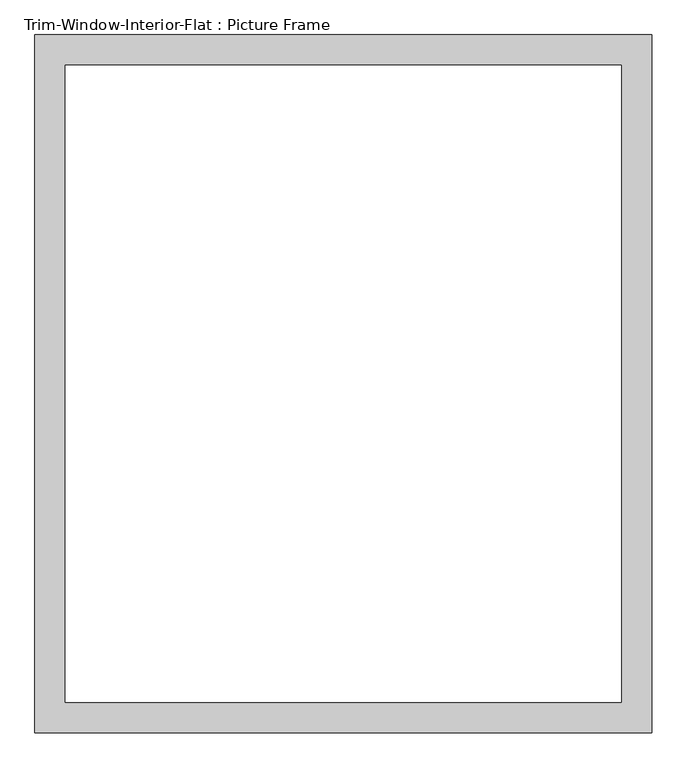
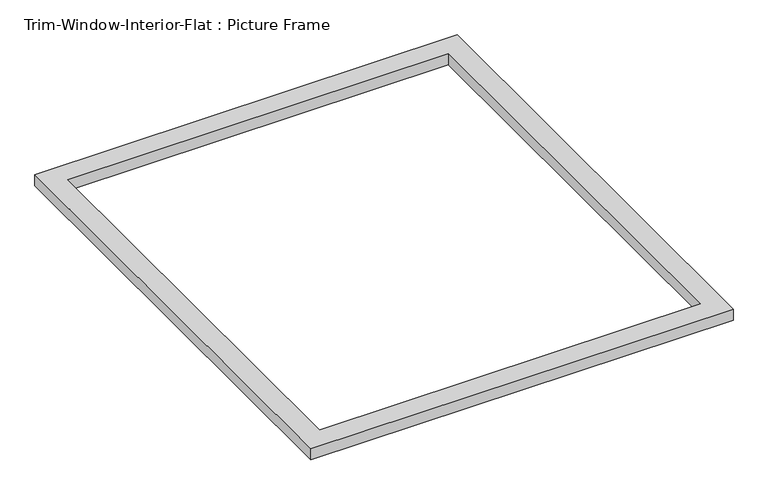
"""IFC4 building model written with IfcOpenShell, lengths in millimetres: proxy geometry, Trim-Window-Interior-Flat : Picture Frame."""

import ifcopenshell
import ifcopenshell.guid

model = None  # the IFC model being written
_history = None  # IfcOwnerHistory: only IFC2X3 demands one
_inside = {}  # id of a spatial element -> (the spatial element, [elements in it])
_under = {}  # id of a project, library or spatial element -> (it, [spatial elements below it])
_declared = {}  # id of a project -> (the project, [libraries it declares])
_typed = {}  # id of a type object -> (the type object, [elements of that type])
_made_of = {}  # id of a material, layer set ... -> (it, [elements and type objects made of it])


def new_model(schema):
    """Start an empty IFC model of exactly this schema.

    Asked for "IFC4X3", IfcOpenShell would pick the latest addendum, in which some entities
    have other attributes; the version numbers below select the first issue.
    IFC2X3 requires an IfcOwnerHistory on every rooted entity: one is made here for all.
    """
    global model, _history
    if schema == "IFC4X3":
        model = ifcopenshell.file(schema_version=(4, 3, 0, 0))
    else:
        model = ifcopenshell.file(schema=schema)
    _inside.clear()
    _under.clear()
    _declared.clear()
    _typed.clear()
    _made_of.clear()
    _history = None
    if model.schema == "IFC2X3":
        org = make("IfcOrganization", Name="unknown")
        user = make(
            "IfcPersonAndOrganization",
            ThePerson=make("IfcPerson", FamilyName="unknown"),
            TheOrganization=org,
        )
        app = make(
            "IfcApplication",
            ApplicationDeveloper=org,
            Version="unknown",
            ApplicationFullName="unknown",
            ApplicationIdentifier="unknown",
        )
        _history = make(
            "IfcOwnerHistory",
            OwningUser=user,
            OwningApplication=app,
            ChangeAction="ADDED",
            CreationDate=0,
        )
    return model


def make(cls, **values):
    """One entity of the class cls with the attributes given. An attribute that is None is left unset."""
    return model.create_entity(
        cls, **{name: value for name, value in values.items() if value is not None}
    )


def rooted(cls, **values):
    """An entity with a GlobalId (a new one), such as an element, a storey or a relation."""
    return make(cls, GlobalId=ifcopenshell.guid.new(), OwnerHistory=_history, **values)


def si_unit(unit_type, name, prefix=None):
    """IfcSIUnit, for example si_unit("LENGTHUNIT", "METRE", prefix="MILLI")."""
    return make("IfcSIUnit", UnitType=unit_type, Prefix=prefix, Name=name)


def assignment(units):
    """IfcUnitAssignment: the units of a project."""
    return None if units is None else make("IfcUnitAssignment", Units=units)


def point(xyz):
    """IfcCartesianPoint."""
    return None if xyz is None else make("IfcCartesianPoint", Coordinates=xyz)


def direction(xyz):
    """IfcDirection."""
    return None if xyz is None else make("IfcDirection", DirectionRatios=xyz)


def frame(location, z_axis=None, x_axis=None):
    """IfcAxis2Placement3D, a coordinate frame: its origin and axes. An axis left out is left unset."""
    return make(
        "IfcAxis2Placement3D",
        Location=point(location),
        Axis=direction(z_axis),
        RefDirection=direction(x_axis),
    )


def origin():
    """The frame at (0, 0, 0) with its axes left unset."""
    return frame((0.0, 0.0, 0.0))


def origin_with_axes():
    """The frame at (0, 0, 0) with the z axis (0, 0, 1) and the x axis (1, 0, 0) written out."""
    return frame((0.0, 0.0, 0.0), z_axis=(0.0, 0.0, 1.0), x_axis=(1.0, 0.0, 0.0))


def place(relative_to, where):
    """IfcLocalPlacement: puts the frame where relative to a parent placement (None: the world)."""
    return make(
        "IfcLocalPlacement", PlacementRelTo=relative_to, RelativePlacement=where
    )


def context(
    kind, dimensions, precision=None, world=None, true_north=None, identifier=None
):
    """IfcGeometricRepresentationContext, for example the 3D "Model" context."""
    return make(
        "IfcGeometricRepresentationContext",
        ContextIdentifier=identifier,
        ContextType=kind,
        CoordinateSpaceDimension=dimensions,
        Precision=precision,
        WorldCoordinateSystem=world,
        TrueNorth=true_north,
    )


def project(units=None, contexts=None):
    """IfcProject with its units and contexts."""
    return rooted(
        "IfcProject",
        Name="project",
        RepresentationContexts=contexts,
        UnitsInContext=assignment(units),
    )


def spatial(cls, under=None, at=None, **own):
    """A site, building, storey or space (cls), placed at a placement, below another one or the project."""
    s = rooted(cls, ObjectPlacement=at, **own)
    if under is not None:
        _under.setdefault(under.id(), (under, []))[1].append(s)
    return s


def polyline(points):
    """IfcPolyline through the points."""
    return make("IfcPolyline", Points=[point(p) for p in points])


def outline(outer, holes=None, kind="AREA"):
    """IfcArbitraryClosedProfileDef: a profile drawn as a closed curve; with holes, ...WithVoids."""
    if holes is None:
        return make("IfcArbitraryClosedProfileDef", ProfileType=kind, OuterCurve=outer)
    return make(
        "IfcArbitraryProfileDefWithVoids",
        ProfileType=kind,
        OuterCurve=outer,
        InnerCurves=holes,
    )


def extrude(swept, where, along, depth):
    """IfcExtrudedAreaSolid: the profile swept, set in the frame where, extruded along a direction by depth."""
    return make(
        "IfcExtrudedAreaSolid",
        SweptArea=swept,
        Position=where,
        ExtrudedDirection=direction(along),
        Depth=depth,
    )


def shape(context_of_items, identifier, shape_type, items):
    """IfcShapeRepresentation: the items that make up one representation, for example the "Body"."""
    return make(
        "IfcShapeRepresentation",
        ContextOfItems=context_of_items,
        RepresentationIdentifier=identifier,
        RepresentationType=shape_type,
        Items=items,
    )


def source(mapping_origin, context_of_items, identifier, shape_type, items):
    """IfcRepresentationMap: a shape defined once, which mapped items show again and again."""
    return make(
        "IfcRepresentationMap",
        MappingOrigin=mapping_origin,
        MappedRepresentation=shape(context_of_items, identifier, shape_type, items),
    )


def transform(
    local_origin,
    x_axis=None,
    y_axis=None,
    z_axis=None,
    scale=None,
    scale2=None,
    scale3=None,
    uniform=True,
):
    """IfcCartesianTransformationOperator3D, or its non-uniform kind. x_axis, y_axis, z_axis: its Axis1, 2, 3."""
    if uniform:
        return make(
            "IfcCartesianTransformationOperator3D",
            Axis1=direction(x_axis),
            Axis2=direction(y_axis),
            LocalOrigin=point(local_origin),
            Scale=scale,
            Axis3=direction(z_axis),
        )
    return make(
        "IfcCartesianTransformationOperator3DnonUniform",
        Axis1=direction(x_axis),
        Axis2=direction(y_axis),
        LocalOrigin=point(local_origin),
        Scale=scale,
        Axis3=direction(z_axis),
        Scale2=scale2,
        Scale3=scale3,
    )


def mapped(mapping_source, mapping_target):
    """IfcMappedItem: shows the shape of a source again, moved by a transform."""
    return make(
        "IfcMappedItem", MappingSource=mapping_source, MappingTarget=mapping_target
    )


def made_of(thing, what):
    """Note that an element or type object is made of a material, layer set ...; save() writes the relation."""
    if what is not None:
        _made_of.setdefault(what.id(), (what, []))[1].append(thing)
    return thing


def element(
    cls,
    number,
    at=None,
    inside=None,
    cuts=None,
    type_object=None,
    material=None,
    context=None,
    identifier="Body",
    shape_type=None,
    held_by="IfcProductDefinitionShape",
    body=None,
    shapes=None,
    **own,
):
    """One element of the class cls, such as IfcWall. Its Tag is "e" and its number.

    at: its placement. inside: the storey or other place that contains it. cuts: it is an
    opening in that element (IfcRelVoidsElement). A single representation is given by context,
    identifier, shape_type and body (its items); several are given by shapes. held_by: the class
    of the entity that holds the representations. save() writes the other relations.
    """
    e = rooted(cls, Tag="e%d" % number, ObjectPlacement=at, **own)
    if body is not None:
        shapes = [shape(context, identifier, shape_type, body)]
    if shapes is not None:
        e.Representation = make(held_by, Representations=shapes)
    if inside is not None:
        _inside.setdefault(inside.id(), (inside, []))[1].append(e)
    if cuts is not None:
        rooted(
            "IfcRelVoidsElement", RelatingBuildingElement=cuts, RelatedOpeningElement=e
        )
    if type_object is not None:
        _typed.setdefault(type_object.id(), (type_object, []))[1].append(e)
    return made_of(e, material)


def aggregate(whole, parts):
    """IfcRelAggregates: a whole, such as a stair, and the parts it consists of."""
    return rooted("IfcRelAggregates", RelatingObject=whole, RelatedObjects=parts)


def save(model, path):
    """Write the relations noted so far, then the file.

    IfcRelAggregates (storeys below a building ...), IfcRelContainedInSpatialStructure (elements
    in a storey), IfcRelDefinesByType, IfcRelAssociatesMaterial and IfcRelDeclares: one each for
    every whole, place, type object, material and project.
    """
    for whole, parts in _under.values():
        aggregate(whole, parts)
    for where, things in _inside.values():
        rooted(
            "IfcRelContainedInSpatialStructure",
            RelatedElements=things,
            RelatingStructure=where,
        )
    for kind, things in _typed.values():
        rooted("IfcRelDefinesByType", RelatedObjects=things, RelatingType=kind)
    for what, things in _made_of.values():
        rooted("IfcRelAssociatesMaterial", RelatedObjects=things, RelatingMaterial=what)
    for by, libraries in _declared.values():
        rooted("IfcRelDeclares", RelatingContext=by, RelatedDefinitions=libraries)
    model.write(path)


def trim_window_interior_flat_picture_frame_2b4ba637(model_context):
    return source(origin(), model_context, "Body", "SweptSolid", [
        extrude(outline(polyline([(577.85, 44.45), (577.85, -1263.65), (-577.85, -1263.65), (-577.85, 44.45), (577.85, 44.45)]), holes=[polyline([(520.7, -12.7), (-520.7, -12.7), (-520.7, -1206.5), (520.7, -1206.5), (520.7, -12.7)])]), origin_with_axes(), (0.0, 0.0, 1.0), 31.75),
    ])


if __name__ == "__main__":
    model = new_model("IFC4")
    model_context = context("Model", 3, world=origin())
    ifc_project = project(units=[si_unit("LENGTHUNIT", "METRE", prefix="MILLI")], contexts=[model_context])
    site = spatial("IfcSite", under=ifc_project)
    building = spatial("IfcBuilding", under=site)
    placement = place(None, origin())
    trim_window_interior_flat_picture_frame_shape = trim_window_interior_flat_picture_frame_2b4ba637(model_context)
    element("IfcBuildingElementProxy", 1, Name="Trim-Window-Interior-Flat : Picture Frame", ObjectType="Trim-Window-Interior-Flat : Picture Frame", at=placement, inside=building, context=model_context, shape_type="MappedRepresentation", body=[
        mapped(trim_window_interior_flat_picture_frame_shape, transform((0.0, 0.0, 0.0), x_axis=(1.0, 0.0, 0.0), y_axis=(0.0, 1.0, 0.0), z_axis=(0.0, 0.0, 1.0))),
    ])
    save(model, "model.ifc")
